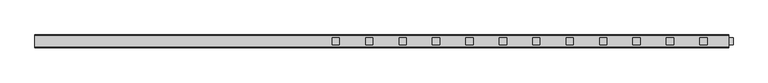
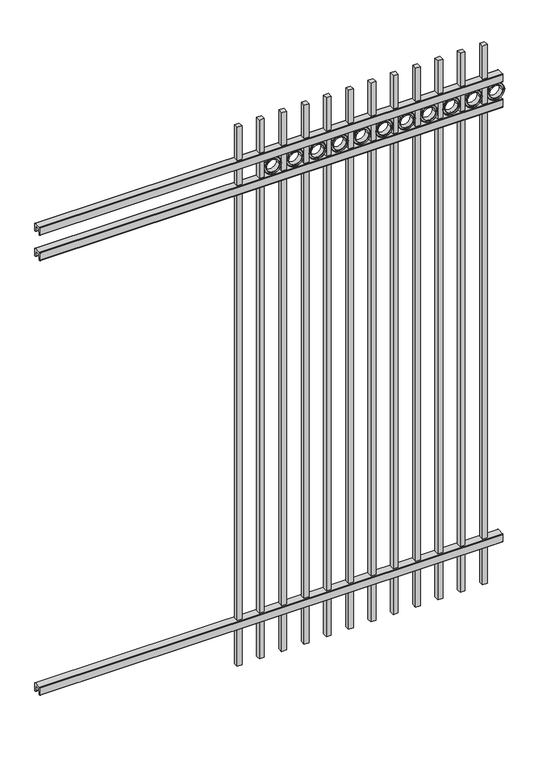
"""IFC4 building model written with IfcOpenShell, lengths in millimetres: railing geometry."""

import ifcopenshell
import ifcopenshell.guid

model = None  # the IFC model being written
_history = None  # IfcOwnerHistory: only IFC2X3 demands one
_inside = {}  # id of a spatial element -> (the spatial element, [elements in it])
_under = {}  # id of a project, library or spatial element -> (it, [spatial elements below it])
_declared = {}  # id of a project -> (the project, [libraries it declares])
_typed = {}  # id of a type object -> (the type object, [elements of that type])
_made_of = {}  # id of a material, layer set ... -> (it, [elements and type objects made of it])


def new_model(schema):
    """Start an empty IFC model of exactly this schema.

    Asked for "IFC4X3", IfcOpenShell would pick the latest addendum, in which some entities
    have other attributes; the version numbers below select the first issue.
    IFC2X3 requires an IfcOwnerHistory on every rooted entity: one is made here for all.
    """
    global model, _history
    if schema == "IFC4X3":
        model = ifcopenshell.file(schema_version=(4, 3, 0, 0))
    else:
        model = ifcopenshell.file(schema=schema)
    _inside.clear()
    _under.clear()
    _declared.clear()
    _typed.clear()
    _made_of.clear()
    _history = None
    if model.schema == "IFC2X3":
        org = make("IfcOrganization", Name="unknown")
        user = make(
            "IfcPersonAndOrganization",
            ThePerson=make("IfcPerson", FamilyName="unknown"),
            TheOrganization=org,
        )
        app = make(
            "IfcApplication",
            ApplicationDeveloper=org,
            Version="unknown",
            ApplicationFullName="unknown",
            ApplicationIdentifier="unknown",
        )
        _history = make(
            "IfcOwnerHistory",
            OwningUser=user,
            OwningApplication=app,
            ChangeAction="ADDED",
            CreationDate=0,
        )
    return model


def make(cls, **values):
    """One entity of the class cls with the attributes given. An attribute that is None is left unset."""
    return model.create_entity(
        cls, **{name: value for name, value in values.items() if value is not None}
    )


def rooted(cls, **values):
    """An entity with a GlobalId (a new one), such as an element, a storey or a relation."""
    return make(cls, GlobalId=ifcopenshell.guid.new(), OwnerHistory=_history, **values)


def si_unit(unit_type, name, prefix=None):
    """IfcSIUnit, for example si_unit("LENGTHUNIT", "METRE", prefix="MILLI")."""
    return make("IfcSIUnit", UnitType=unit_type, Prefix=prefix, Name=name)


def assignment(units):
    """IfcUnitAssignment: the units of a project."""
    return None if units is None else make("IfcUnitAssignment", Units=units)


def point(xyz):
    """IfcCartesianPoint."""
    return None if xyz is None else make("IfcCartesianPoint", Coordinates=xyz)


def direction(xyz):
    """IfcDirection."""
    return None if xyz is None else make("IfcDirection", DirectionRatios=xyz)


def frame(location, z_axis=None, x_axis=None):
    """IfcAxis2Placement3D, a coordinate frame: its origin and axes. An axis left out is left unset."""
    return make(
        "IfcAxis2Placement3D",
        Location=point(location),
        Axis=direction(z_axis),
        RefDirection=direction(x_axis),
    )


def frame_2d(location, x_axis=None):
    """IfcAxis2Placement2D, a coordinate frame in the plane: its origin and x axis."""
    return make(
        "IfcAxis2Placement2D", Location=point(location), RefDirection=direction(x_axis)
    )


def origin():
    """The frame at (0, 0, 0) with its axes left unset."""
    return frame((0.0, 0.0, 0.0))


def place(relative_to, where):
    """IfcLocalPlacement: puts the frame where relative to a parent placement (None: the world)."""
    return make(
        "IfcLocalPlacement", PlacementRelTo=relative_to, RelativePlacement=where
    )


def context(
    kind, dimensions, precision=None, world=None, true_north=None, identifier=None
):
    """IfcGeometricRepresentationContext, for example the 3D "Model" context."""
    return make(
        "IfcGeometricRepresentationContext",
        ContextIdentifier=identifier,
        ContextType=kind,
        CoordinateSpaceDimension=dimensions,
        Precision=precision,
        WorldCoordinateSystem=world,
        TrueNorth=true_north,
    )


def project(units=None, contexts=None):
    """IfcProject with its units and contexts."""
    return rooted(
        "IfcProject",
        Name="project",
        RepresentationContexts=contexts,
        UnitsInContext=assignment(units),
    )


def spatial(cls, under=None, at=None, **own):
    """A site, building, storey or space (cls), placed at a placement, below another one or the project."""
    s = rooted(cls, ObjectPlacement=at, **own)
    if under is not None:
        _under.setdefault(under.id(), (under, []))[1].append(s)
    return s


def polyline(points):
    """IfcPolyline through the points."""
    return make("IfcPolyline", Points=[point(p) for p in points])


def circle_curve(where, radius):
    """IfcCircle in the frame where."""
    return make("IfcCircle", Position=where, Radius=radius)


def trimmed(basis, trim1, trim2, sense, master):
    """IfcTrimmedCurve: the piece of a basis curve between two trims."""
    return make(
        "IfcTrimmedCurve",
        BasisCurve=basis,
        Trim1=trim1,
        Trim2=trim2,
        SenseAgreement=sense,
        MasterRepresentation=master,
    )


def segment(curve, same_sense, transition):
    """IfcCompositeCurveSegment."""
    return make(
        "IfcCompositeCurveSegment",
        Transition=transition,
        SameSense=same_sense,
        ParentCurve=curve,
    )


def composite_curve(segments, self_intersect=None):
    """IfcCompositeCurve: segments joined end to end."""
    return make("IfcCompositeCurve", Segments=segments, SelfIntersect=self_intersect)


def outline(outer, holes=None, kind="AREA"):
    """IfcArbitraryClosedProfileDef: a profile drawn as a closed curve; with holes, ...WithVoids."""
    if holes is None:
        return make("IfcArbitraryClosedProfileDef", ProfileType=kind, OuterCurve=outer)
    return make(
        "IfcArbitraryProfileDefWithVoids",
        ProfileType=kind,
        OuterCurve=outer,
        InnerCurves=holes,
    )


def extrude(swept, where, along, depth):
    """IfcExtrudedAreaSolid: the profile swept, set in the frame where, extruded along a direction by depth."""
    return make(
        "IfcExtrudedAreaSolid",
        SweptArea=swept,
        Position=where,
        ExtrudedDirection=direction(along),
        Depth=depth,
    )


def shape(context_of_items, identifier, shape_type, items):
    """IfcShapeRepresentation: the items that make up one representation, for example the "Body"."""
    return make(
        "IfcShapeRepresentation",
        ContextOfItems=context_of_items,
        RepresentationIdentifier=identifier,
        RepresentationType=shape_type,
        Items=items,
    )


def source(mapping_origin, context_of_items, identifier, shape_type, items):
    """IfcRepresentationMap: a shape defined once, which mapped items show again and again."""
    return make(
        "IfcRepresentationMap",
        MappingOrigin=mapping_origin,
        MappedRepresentation=shape(context_of_items, identifier, shape_type, items),
    )


def transform(
    local_origin,
    x_axis=None,
    y_axis=None,
    z_axis=None,
    scale=None,
    scale2=None,
    scale3=None,
    uniform=True,
):
    """IfcCartesianTransformationOperator3D, or its non-uniform kind. x_axis, y_axis, z_axis: its Axis1, 2, 3."""
    if uniform:
        return make(
            "IfcCartesianTransformationOperator3D",
            Axis1=direction(x_axis),
            Axis2=direction(y_axis),
            LocalOrigin=point(local_origin),
            Scale=scale,
            Axis3=direction(z_axis),
        )
    return make(
        "IfcCartesianTransformationOperator3DnonUniform",
        Axis1=direction(x_axis),
        Axis2=direction(y_axis),
        LocalOrigin=point(local_origin),
        Scale=scale,
        Axis3=direction(z_axis),
        Scale2=scale2,
        Scale3=scale3,
    )


def mapped(mapping_source, mapping_target):
    """IfcMappedItem: shows the shape of a source again, moved by a transform."""
    return make(
        "IfcMappedItem", MappingSource=mapping_source, MappingTarget=mapping_target
    )


def made_of(thing, what):
    """Note that an element or type object is made of a material, layer set ...; save() writes the relation."""
    if what is not None:
        _made_of.setdefault(what.id(), (what, []))[1].append(thing)
    return thing


def element(
    cls,
    number,
    at=None,
    inside=None,
    cuts=None,
    type_object=None,
    material=None,
    context=None,
    identifier="Body",
    shape_type=None,
    held_by="IfcProductDefinitionShape",
    body=None,
    shapes=None,
    **own,
):
    """One element of the class cls, such as IfcWall. Its Tag is "e" and its number.

    at: its placement. inside: the storey or other place that contains it. cuts: it is an
    opening in that element (IfcRelVoidsElement). A single representation is given by context,
    identifier, shape_type and body (its items); several are given by shapes. held_by: the class
    of the entity that holds the representations. save() writes the other relations.
    """
    e = rooted(cls, Tag="e%d" % number, ObjectPlacement=at, **own)
    if body is not None:
        shapes = [shape(context, identifier, shape_type, body)]
    if shapes is not None:
        e.Representation = make(held_by, Representations=shapes)
    if inside is not None:
        _inside.setdefault(inside.id(), (inside, []))[1].append(e)
    if cuts is not None:
        rooted(
            "IfcRelVoidsElement", RelatingBuildingElement=cuts, RelatedOpeningElement=e
        )
    if type_object is not None:
        _typed.setdefault(type_object.id(), (type_object, []))[1].append(e)
    return made_of(e, material)


def aggregate(whole, parts):
    """IfcRelAggregates: a whole, such as a stair, and the parts it consists of."""
    return rooted("IfcRelAggregates", RelatingObject=whole, RelatedObjects=parts)


def save(model, path):
    """Write the relations noted so far, then the file.

    IfcRelAggregates (storeys below a building ...), IfcRelContainedInSpatialStructure (elements
    in a storey), IfcRelDefinesByType, IfcRelAssociatesMaterial and IfcRelDeclares: one each for
    every whole, place, type object, material and project.
    """
    for whole, parts in _under.values():
        aggregate(whole, parts)
    for where, things in _inside.values():
        rooted(
            "IfcRelContainedInSpatialStructure",
            RelatedElements=things,
            RelatingStructure=where,
        )
    for kind, things in _typed.values():
        rooted("IfcRelDefinesByType", RelatedObjects=things, RelatingType=kind)
    for what, things in _made_of.values():
        rooted("IfcRelAssociatesMaterial", RelatedObjects=things, RelatingMaterial=what)
    for by, libraries in _declared.values():
        rooted("IfcRelDeclares", RelatingContext=by, RelatedDefinitions=libraries)
    model.write(path)


def railing_816583c7(model_context):
    return source(origin(), model_context, "Body", "SweptSolid", [
        extrude(outline(composite_curve([segment(polyline([(4253.9139761, 304.8), (4291.969541, 304.8)]), True, "CONTINUOUS"), segment(trimmed(circle_curve(frame_2d((4291.969541, 301.625)), 3.175), [point((4291.969541, 304.8))], [point((4295.144541, 301.625))], False, "CARTESIAN"), True, "CONTINUOUS"), segment(polyline([(4295.144541, 301.625), (4295.144541, 262.1439893)]), True, "CONTINUOUS"), segment(trimmed(circle_curve(frame_2d((4293.3505518, 262.1439893)), 1.7939893), [point((4295.144541, 262.1439893))], [point((4293.3505518, 260.35))], False, "CARTESIAN"), True, "CONTINUOUS"), segment(polyline([(4293.3505518, 260.35), (4290.7590713, 260.35)]), True, "CONTINUOUS"), segment(trimmed(circle_curve(frame_2d((4290.7590713, 262.1359375)), 1.7859375), [point((4290.7590713, 260.35))], [point((4288.9755813, 262.0424688))], False, "CARTESIAN"), True, "CONTINUOUS"), segment(polyline([(4288.9755813, 262.0424688), (4287.4025867, 292.0569942), (4258.4364954, 292.0569942), (4256.8635007, 262.0424688)]), True, "CONTINUOUS"), segment(trimmed(circle_curve(frame_2d((4255.0800108, 262.1359375)), 1.7859375), [point((4256.8635007, 262.0424688))], [point((4255.0800108, 260.35))], False, "CARTESIAN"), True, "CONTINUOUS"), segment(polyline([(4255.0800108, 260.35), (4252.4804785, 260.35)]), True, "CONTINUOUS"), segment(trimmed(circle_curve(frame_2d((4252.4804785, 262.1359375)), 1.7859375), [point((4252.4804785, 260.35))], [point((4250.694541, 262.1359375))], False, "CARTESIAN"), True, "CONTINUOUS"), segment(polyline([(4250.694541, 262.1359375), (4250.694541, 301.5805649)]), True, "CONTINUOUS"), segment(trimmed(circle_curve(frame_2d((4253.9139761, 301.5805649)), 3.2194351), [point((4250.694541, 301.5805649))], [point((4253.9139761, 304.8))], False, "CARTESIAN"), True, "CONTINUOUS")], self_intersect=False)), frame((11485.3350064, 0.0, 0.0), z_axis=(1.0, 0.0, 0.0), x_axis=(0.0, 1.0, 0.0)), (0.0, 0.0, 1.0), 2438.4),
        extrude(outline(composite_curve([segment(polyline([(4253.9139761, 2722.5625), (4291.969541, 2722.5625)]), True, "CONTINUOUS"), segment(trimmed(circle_curve(frame_2d((4291.969541, 2719.3875)), 3.175), [point((4291.969541, 2722.5625))], [point((4295.144541, 2719.3875))], False, "CARTESIAN"), True, "CONTINUOUS"), segment(polyline([(4295.144541, 2719.3875), (4295.144541, 2679.9064893)]), True, "CONTINUOUS"), segment(trimmed(circle_curve(frame_2d((4293.3505518, 2679.9064893)), 1.7939893), [point((4295.144541, 2679.9064893))], [point((4293.3505518, 2678.1125))], False, "CARTESIAN"), True, "CONTINUOUS"), segment(polyline([(4293.3505518, 2678.1125), (4290.7590713, 2678.1125)]), True, "CONTINUOUS"), segment(trimmed(circle_curve(frame_2d((4290.7590713, 2679.8984375)), 1.7859375), [point((4290.7590713, 2678.1125))], [point((4288.9755813, 2679.8049688))], False, "CARTESIAN"), True, "CONTINUOUS"), segment(polyline([(4288.9755813, 2679.8049688), (4287.4025867, 2709.8194942), (4258.4364954, 2709.8194942), (4256.8635007, 2679.8049688)]), True, "CONTINUOUS"), segment(trimmed(circle_curve(frame_2d((4255.0800108, 2679.8984375)), 1.7859375), [point((4256.8635007, 2679.8049688))], [point((4255.0800108, 2678.1125))], False, "CARTESIAN"), True, "CONTINUOUS"), segment(polyline([(4255.0800108, 2678.1125), (4252.4804785, 2678.1125)]), True, "CONTINUOUS"), segment(trimmed(circle_curve(frame_2d((4252.4804785, 2679.8984375)), 1.7859375), [point((4252.4804785, 2678.1125))], [point((4250.694541, 2679.8984375))], False, "CARTESIAN"), True, "CONTINUOUS"), segment(polyline([(4250.694541, 2679.8984375), (4250.694541, 2719.3430649)]), True, "CONTINUOUS"), segment(trimmed(circle_curve(frame_2d((4253.9139761, 2719.3430649)), 3.2194351), [point((4250.694541, 2719.3430649))], [point((4253.9139761, 2722.5625))], False, "CARTESIAN"), True, "CONTINUOUS")], self_intersect=False)), frame((11485.3350064, 0.0, 0.0), z_axis=(1.0, 0.0, 0.0), x_axis=(0.0, 1.0, 0.0)), (0.0, 0.0, 1.0), 2438.4),
        extrude(outline(composite_curve([segment(polyline([(4253.9139761, 2862.2625), (4291.969541, 2862.2625)]), True, "CONTINUOUS"), segment(trimmed(circle_curve(frame_2d((4291.969541, 2859.0875)), 3.175), [point((4291.969541, 2862.2625))], [point((4295.144541, 2859.0875))], False, "CARTESIAN"), True, "CONTINUOUS"), segment(polyline([(4295.144541, 2859.0875), (4295.144541, 2819.6064893)]), True, "CONTINUOUS"), segment(trimmed(circle_curve(frame_2d((4293.3505518, 2819.6064893)), 1.7939893), [point((4295.144541, 2819.6064893))], [point((4293.3505518, 2817.8125))], False, "CARTESIAN"), True, "CONTINUOUS"), segment(polyline([(4293.3505518, 2817.8125), (4290.7590713, 2817.8125)]), True, "CONTINUOUS"), segment(trimmed(circle_curve(frame_2d((4290.7590713, 2819.5984375)), 1.7859375), [point((4290.7590713, 2817.8125))], [point((4288.9755813, 2819.5049688))], False, "CARTESIAN"), True, "CONTINUOUS"), segment(polyline([(4288.9755813, 2819.5049688), (4287.4025867, 2849.5194942), (4258.4364954, 2849.5194942), (4256.8635007, 2819.5049688)]), True, "CONTINUOUS"), segment(trimmed(circle_curve(frame_2d((4255.0800108, 2819.5984375)), 1.7859375), [point((4256.8635007, 2819.5049688))], [point((4255.0800108, 2817.8125))], False, "CARTESIAN"), True, "CONTINUOUS"), segment(polyline([(4255.0800108, 2817.8125), (4252.4804785, 2817.8125)]), True, "CONTINUOUS"), segment(trimmed(circle_curve(frame_2d((4252.4804785, 2819.5984375)), 1.7859375), [point((4252.4804785, 2817.8125))], [point((4250.694541, 2819.5984375))], False, "CARTESIAN"), True, "CONTINUOUS"), segment(polyline([(4250.694541, 2819.5984375), (4250.694541, 2859.0430649)]), True, "CONTINUOUS"), segment(trimmed(circle_curve(frame_2d((4253.9139761, 2859.0430649)), 3.2194351), [point((4250.694541, 2859.0430649))], [point((4253.9139761, 2862.2625))], False, "CARTESIAN"), True, "CONTINUOUS")], self_intersect=False)), frame((11485.3350064, 0.0, 0.0), z_axis=(1.0, 0.0, 0.0), x_axis=(0.0, 1.0, 0.0)), (0.0, 0.0, 1.0), 2438.4),
        extrude(outline(polyline([(13822.1350064, 4285.619541), (13847.5350064, 4285.619541), (13847.5350064, 4260.219541), (13822.1350064, 4260.219541), (13822.1350064, 4285.619541)])), frame((0.0, 0.0, 50.8), z_axis=(0.0, 0.0, 1.0), x_axis=(1.0, 0.0, 0.0)), (0.0, 0.0, 1.0), 2997.2),
        extrude(outline(composite_curve([segment(trimmed(circle_curve(frame_2d((2769.4040076, 13893.2338655)), 45.6988591), [point((2769.4040076, 13938.9327246))], [point((2769.4040076, 13847.5350064))], False, "CARTESIAN"), True, "CONTINUOUS"), segment(trimmed(circle_curve(frame_2d((2769.4040076, 13893.2338655)), 45.6988591), [point((2769.4040076, 13847.5350064))], [point((2769.4040076, 13938.9327246))], False, "CARTESIAN"), True, "CONTINUOUS")], self_intersect=False), holes=[composite_curve([segment(trimmed(circle_curve(frame_2d((2769.4040076, 13893.2338655)), 44.101539), [point((2769.4040076, 13937.3354045))], [point((2769.4040076, 13849.1323265))], True, "CARTESIAN"), True, "CONTINUOUS"), segment(trimmed(circle_curve(frame_2d((2769.4040076, 13893.2338655)), 44.101539), [point((2769.4040076, 13849.1323265))], [point((2769.4040076, 13937.3354045))], True, "CARTESIAN"), True, "CONTINUOUS")], self_intersect=False)]), frame((0.0, 4260.219541, 0.0), z_axis=(0.0, 1.0, 0.0), x_axis=(0.0, 0.0, 1.0)), (0.0, 0.0, 1.0), 25.4),
        extrude(outline(composite_curve([segment(trimmed(circle_curve(frame_2d((2769.4040076, 13893.2338655)), 34.6370762), [point((2769.4040076, 13927.8709417))], [point((2769.4040076, 13858.5967893))], False, "CARTESIAN"), True, "CONTINUOUS"), segment(trimmed(circle_curve(frame_2d((2769.4040076, 13893.2338655)), 34.6370762), [point((2769.4040076, 13858.5967893))], [point((2769.4040076, 13927.8709417))], False, "CARTESIAN"), True, "CONTINUOUS")], self_intersect=False), holes=[composite_curve([segment(trimmed(circle_curve(frame_2d((2769.4040076, 13893.2338655)), 33.0443887), [point((2769.4040076, 13926.2782542))], [point((2769.4040076, 13860.1894768))], True, "CARTESIAN"), True, "CONTINUOUS"), segment(trimmed(circle_curve(frame_2d((2769.4040076, 13893.2338655)), 33.0443887), [point((2769.4040076, 13860.1894768))], [point((2769.4040076, 13926.2782542))], True, "CARTESIAN"), True, "CONTINUOUS")], self_intersect=False)]), frame((0.0, 4260.219541, 0.0), z_axis=(0.0, 1.0, 0.0), x_axis=(0.0, 0.0, 1.0)), (0.0, 0.0, 1.0), 25.4),
        extrude(outline(composite_curve([segment(trimmed(circle_curve(frame_2d((2769.4040076, 13893.2338655)), 45.6988591), [point((2769.4040076, 13938.9327246))], [point((2769.4040076, 13847.5350064))], False, "CARTESIAN"), True, "CONTINUOUS"), segment(trimmed(circle_curve(frame_2d((2769.4040076, 13893.2338655)), 45.6988591), [point((2769.4040076, 13847.5350064))], [point((2769.4040076, 13938.9327246))], False, "CARTESIAN"), True, "CONTINUOUS")], self_intersect=False), holes=[composite_curve([segment(trimmed(circle_curve(frame_2d((2769.4040076, 13893.2338655)), 33.0443887), [point((2769.4040076, 13926.2782542))], [point((2769.4040076, 13860.1894768))], True, "CARTESIAN"), True, "CONTINUOUS"), segment(trimmed(circle_curve(frame_2d((2769.4040076, 13893.2338655)), 33.0443887), [point((2769.4040076, 13860.1894768))], [point((2769.4040076, 13926.2782542))], True, "CARTESIAN"), True, "CONTINUOUS")], self_intersect=False)]), frame((0.0, 4266.569541, 0.0), z_axis=(0.0, 1.0, 0.0), x_axis=(0.0, 0.0, 1.0)), (0.0, 0.0, 1.0), 12.7),
        extrude(outline(polyline([(13704.6600064, 4285.619541), (13730.0600064, 4285.619541), (13730.0600064, 4260.219541), (13704.6600064, 4260.219541), (13704.6600064, 4285.619541)])), frame((0.0, 0.0, 50.8), z_axis=(0.0, 0.0, 1.0), x_axis=(1.0, 0.0, 0.0)), (0.0, 0.0, 1.0), 2997.2),
        extrude(outline(composite_curve([segment(trimmed(circle_curve(frame_2d((2769.4040076, 13775.7588655)), 45.6988591), [point((2769.4040076, 13821.4577246))], [point((2769.4040076, 13730.0600064))], False, "CARTESIAN"), True, "CONTINUOUS"), segment(trimmed(circle_curve(frame_2d((2769.4040076, 13775.7588655)), 45.6988591), [point((2769.4040076, 13730.0600064))], [point((2769.4040076, 13821.4577246))], False, "CARTESIAN"), True, "CONTINUOUS")], self_intersect=False), holes=[composite_curve([segment(trimmed(circle_curve(frame_2d((2769.4040076, 13775.7588655)), 44.101539), [point((2769.4040076, 13819.8604045))], [point((2769.4040076, 13731.6573265))], True, "CARTESIAN"), True, "CONTINUOUS"), segment(trimmed(circle_curve(frame_2d((2769.4040076, 13775.7588655)), 44.101539), [point((2769.4040076, 13731.6573265))], [point((2769.4040076, 13819.8604045))], True, "CARTESIAN"), True, "CONTINUOUS")], self_intersect=False)]), frame((0.0, 4260.219541, 0.0), z_axis=(0.0, 1.0, 0.0), x_axis=(0.0, 0.0, 1.0)), (0.0, 0.0, 1.0), 25.4),
        extrude(outline(composite_curve([segment(trimmed(circle_curve(frame_2d((2769.4040076, 13775.7588655)), 34.6370762), [point((2769.4040076, 13810.3959417))], [point((2769.4040076, 13741.1217893))], False, "CARTESIAN"), True, "CONTINUOUS"), segment(trimmed(circle_curve(frame_2d((2769.4040076, 13775.7588655)), 34.6370762), [point((2769.4040076, 13741.1217893))], [point((2769.4040076, 13810.3959417))], False, "CARTESIAN"), True, "CONTINUOUS")], self_intersect=False), holes=[composite_curve([segment(trimmed(circle_curve(frame_2d((2769.4040076, 13775.7588655)), 33.0443887), [point((2769.4040076, 13808.8032542))], [point((2769.4040076, 13742.7144768))], True, "CARTESIAN"), True, "CONTINUOUS"), segment(trimmed(circle_curve(frame_2d((2769.4040076, 13775.7588655)), 33.0443887), [point((2769.4040076, 13742.7144768))], [point((2769.4040076, 13808.8032542))], True, "CARTESIAN"), True, "CONTINUOUS")], self_intersect=False)]), frame((0.0, 4260.219541, 0.0), z_axis=(0.0, 1.0, 0.0), x_axis=(0.0, 0.0, 1.0)), (0.0, 0.0, 1.0), 25.4),
        extrude(outline(composite_curve([segment(trimmed(circle_curve(frame_2d((2769.4040076, 13775.7588655)), 45.6988591), [point((2769.4040076, 13821.4577246))], [point((2769.4040076, 13730.0600064))], False, "CARTESIAN"), True, "CONTINUOUS"), segment(trimmed(circle_curve(frame_2d((2769.4040076, 13775.7588655)), 45.6988591), [point((2769.4040076, 13730.0600064))], [point((2769.4040076, 13821.4577246))], False, "CARTESIAN"), True, "CONTINUOUS")], self_intersect=False), holes=[composite_curve([segment(trimmed(circle_curve(frame_2d((2769.4040076, 13775.7588655)), 33.0443887), [point((2769.4040076, 13808.8032542))], [point((2769.4040076, 13742.7144768))], True, "CARTESIAN"), True, "CONTINUOUS"), segment(trimmed(circle_curve(frame_2d((2769.4040076, 13775.7588655)), 33.0443887), [point((2769.4040076, 13742.7144768))], [point((2769.4040076, 13808.8032542))], True, "CARTESIAN"), True, "CONTINUOUS")], self_intersect=False)]), frame((0.0, 4266.569541, 0.0), z_axis=(0.0, 1.0, 0.0), x_axis=(0.0, 0.0, 1.0)), (0.0, 0.0, 1.0), 12.7),
        extrude(outline(polyline([(13587.1850064, 4285.619541), (13612.5850064, 4285.619541), (13612.5850064, 4260.219541), (13587.1850064, 4260.219541), (13587.1850064, 4285.619541)])), frame((0.0, 0.0, 50.8), z_axis=(0.0, 0.0, 1.0), x_axis=(1.0, 0.0, 0.0)), (0.0, 0.0, 1.0), 2997.2),
        extrude(outline(composite_curve([segment(trimmed(circle_curve(frame_2d((2769.4040076, 13658.2838655)), 45.6988591), [point((2769.4040076, 13703.9827246))], [point((2769.4040076, 13612.5850064))], False, "CARTESIAN"), True, "CONTINUOUS"), segment(trimmed(circle_curve(frame_2d((2769.4040076, 13658.2838655)), 45.6988591), [point((2769.4040076, 13612.5850064))], [point((2769.4040076, 13703.9827246))], False, "CARTESIAN"), True, "CONTINUOUS")], self_intersect=False), holes=[composite_curve([segment(trimmed(circle_curve(frame_2d((2769.4040076, 13658.2838655)), 44.101539), [point((2769.4040076, 13702.3854045))], [point((2769.4040076, 13614.1823265))], True, "CARTESIAN"), True, "CONTINUOUS"), segment(trimmed(circle_curve(frame_2d((2769.4040076, 13658.2838655)), 44.101539), [point((2769.4040076, 13614.1823265))], [point((2769.4040076, 13702.3854045))], True, "CARTESIAN"), True, "CONTINUOUS")], self_intersect=False)]), frame((0.0, 4260.219541, 0.0), z_axis=(0.0, 1.0, 0.0), x_axis=(0.0, 0.0, 1.0)), (0.0, 0.0, 1.0), 25.4),
        extrude(outline(composite_curve([segment(trimmed(circle_curve(frame_2d((2769.4040076, 13658.2838655)), 34.6370762), [point((2769.4040076, 13692.9209417))], [point((2769.4040076, 13623.6467893))], False, "CARTESIAN"), True, "CONTINUOUS"), segment(trimmed(circle_curve(frame_2d((2769.4040076, 13658.2838655)), 34.6370762), [point((2769.4040076, 13623.6467893))], [point((2769.4040076, 13692.9209417))], False, "CARTESIAN"), True, "CONTINUOUS")], self_intersect=False), holes=[composite_curve([segment(trimmed(circle_curve(frame_2d((2769.4040076, 13658.2838655)), 33.0443887), [point((2769.4040076, 13691.3282542))], [point((2769.4040076, 13625.2394768))], True, "CARTESIAN"), True, "CONTINUOUS"), segment(trimmed(circle_curve(frame_2d((2769.4040076, 13658.2838655)), 33.0443887), [point((2769.4040076, 13625.2394768))], [point((2769.4040076, 13691.3282542))], True, "CARTESIAN"), True, "CONTINUOUS")], self_intersect=False)]), frame((0.0, 4260.219541, 0.0), z_axis=(0.0, 1.0, 0.0), x_axis=(0.0, 0.0, 1.0)), (0.0, 0.0, 1.0), 25.4),
        extrude(outline(composite_curve([segment(trimmed(circle_curve(frame_2d((2769.4040076, 13658.2838655)), 45.6988591), [point((2769.4040076, 13703.9827246))], [point((2769.4040076, 13612.5850064))], False, "CARTESIAN"), True, "CONTINUOUS"), segment(trimmed(circle_curve(frame_2d((2769.4040076, 13658.2838655)), 45.6988591), [point((2769.4040076, 13612.5850064))], [point((2769.4040076, 13703.9827246))], False, "CARTESIAN"), True, "CONTINUOUS")], self_intersect=False), holes=[composite_curve([segment(trimmed(circle_curve(frame_2d((2769.4040076, 13658.2838655)), 33.0443887), [point((2769.4040076, 13691.3282542))], [point((2769.4040076, 13625.2394768))], True, "CARTESIAN"), True, "CONTINUOUS"), segment(trimmed(circle_curve(frame_2d((2769.4040076, 13658.2838655)), 33.0443887), [point((2769.4040076, 13625.2394768))], [point((2769.4040076, 13691.3282542))], True, "CARTESIAN"), True, "CONTINUOUS")], self_intersect=False)]), frame((0.0, 4266.569541, 0.0), z_axis=(0.0, 1.0, 0.0), x_axis=(0.0, 0.0, 1.0)), (0.0, 0.0, 1.0), 12.7),
        extrude(outline(polyline([(13469.7100064, 4285.619541), (13495.1100064, 4285.619541), (13495.1100064, 4260.219541), (13469.7100064, 4260.219541), (13469.7100064, 4285.619541)])), frame((0.0, 0.0, 50.8), z_axis=(0.0, 0.0, 1.0), x_axis=(1.0, 0.0, 0.0)), (0.0, 0.0, 1.0), 2997.2),
        extrude(outline(composite_curve([segment(trimmed(circle_curve(frame_2d((2769.4040076, 13540.8088655)), 45.6988591), [point((2769.4040076, 13586.5077246))], [point((2769.4040076, 13495.1100064))], False, "CARTESIAN"), True, "CONTINUOUS"), segment(trimmed(circle_curve(frame_2d((2769.4040076, 13540.8088655)), 45.6988591), [point((2769.4040076, 13495.1100064))], [point((2769.4040076, 13586.5077246))], False, "CARTESIAN"), True, "CONTINUOUS")], self_intersect=False), holes=[composite_curve([segment(trimmed(circle_curve(frame_2d((2769.4040076, 13540.8088655)), 44.101539), [point((2769.4040076, 13584.9104045))], [point((2769.4040076, 13496.7073265))], True, "CARTESIAN"), True, "CONTINUOUS"), segment(trimmed(circle_curve(frame_2d((2769.4040076, 13540.8088655)), 44.101539), [point((2769.4040076, 13496.7073265))], [point((2769.4040076, 13584.9104045))], True, "CARTESIAN"), True, "CONTINUOUS")], self_intersect=False)]), frame((0.0, 4260.219541, 0.0), z_axis=(0.0, 1.0, 0.0), x_axis=(0.0, 0.0, 1.0)), (0.0, 0.0, 1.0), 25.4),
        extrude(outline(composite_curve([segment(trimmed(circle_curve(frame_2d((2769.4040076, 13540.8088655)), 34.6370762), [point((2769.4040076, 13575.4459417))], [point((2769.4040076, 13506.1717893))], False, "CARTESIAN"), True, "CONTINUOUS"), segment(trimmed(circle_curve(frame_2d((2769.4040076, 13540.8088655)), 34.6370762), [point((2769.4040076, 13506.1717893))], [point((2769.4040076, 13575.4459417))], False, "CARTESIAN"), True, "CONTINUOUS")], self_intersect=False), holes=[composite_curve([segment(trimmed(circle_curve(frame_2d((2769.4040076, 13540.8088655)), 33.0443887), [point((2769.4040076, 13573.8532542))], [point((2769.4040076, 13507.7644768))], True, "CARTESIAN"), True, "CONTINUOUS"), segment(trimmed(circle_curve(frame_2d((2769.4040076, 13540.8088655)), 33.0443887), [point((2769.4040076, 13507.7644768))], [point((2769.4040076, 13573.8532542))], True, "CARTESIAN"), True, "CONTINUOUS")], self_intersect=False)]), frame((0.0, 4260.219541, 0.0), z_axis=(0.0, 1.0, 0.0), x_axis=(0.0, 0.0, 1.0)), (0.0, 0.0, 1.0), 25.4),
        extrude(outline(composite_curve([segment(trimmed(circle_curve(frame_2d((2769.4040076, 13540.8088655)), 45.6988591), [point((2769.4040076, 13586.5077246))], [point((2769.4040076, 13495.1100064))], False, "CARTESIAN"), True, "CONTINUOUS"), segment(trimmed(circle_curve(frame_2d((2769.4040076, 13540.8088655)), 45.6988591), [point((2769.4040076, 13495.1100064))], [point((2769.4040076, 13586.5077246))], False, "CARTESIAN"), True, "CONTINUOUS")], self_intersect=False), holes=[composite_curve([segment(trimmed(circle_curve(frame_2d((2769.4040076, 13540.8088655)), 33.0443887), [point((2769.4040076, 13573.8532542))], [point((2769.4040076, 13507.7644768))], True, "CARTESIAN"), True, "CONTINUOUS"), segment(trimmed(circle_curve(frame_2d((2769.4040076, 13540.8088655)), 33.0443887), [point((2769.4040076, 13507.7644768))], [point((2769.4040076, 13573.8532542))], True, "CARTESIAN"), True, "CONTINUOUS")], self_intersect=False)]), frame((0.0, 4266.569541, 0.0), z_axis=(0.0, 1.0, 0.0), x_axis=(0.0, 0.0, 1.0)), (0.0, 0.0, 1.0), 12.7),
        extrude(outline(polyline([(13352.2350064, 4285.619541), (13377.6350064, 4285.619541), (13377.6350064, 4260.219541), (13352.2350064, 4260.219541), (13352.2350064, 4285.619541)])), frame((0.0, 0.0, 50.8), z_axis=(0.0, 0.0, 1.0), x_axis=(1.0, 0.0, 0.0)), (0.0, 0.0, 1.0), 2997.2),
        extrude(outline(composite_curve([segment(trimmed(circle_curve(frame_2d((2769.4040076, 13423.3338655)), 45.6988591), [point((2769.4040076, 13469.0327246))], [point((2769.4040076, 13377.6350064))], False, "CARTESIAN"), True, "CONTINUOUS"), segment(trimmed(circle_curve(frame_2d((2769.4040076, 13423.3338655)), 45.6988591), [point((2769.4040076, 13377.6350064))], [point((2769.4040076, 13469.0327246))], False, "CARTESIAN"), True, "CONTINUOUS")], self_intersect=False), holes=[composite_curve([segment(trimmed(circle_curve(frame_2d((2769.4040076, 13423.3338655)), 44.101539), [point((2769.4040076, 13467.4354045))], [point((2769.4040076, 13379.2323265))], True, "CARTESIAN"), True, "CONTINUOUS"), segment(trimmed(circle_curve(frame_2d((2769.4040076, 13423.3338655)), 44.101539), [point((2769.4040076, 13379.2323265))], [point((2769.4040076, 13467.4354045))], True, "CARTESIAN"), True, "CONTINUOUS")], self_intersect=False)]), frame((0.0, 4260.219541, 0.0), z_axis=(0.0, 1.0, 0.0), x_axis=(0.0, 0.0, 1.0)), (0.0, 0.0, 1.0), 25.4),
        extrude(outline(composite_curve([segment(trimmed(circle_curve(frame_2d((2769.4040076, 13423.3338655)), 34.6370762), [point((2769.4040076, 13457.9709417))], [point((2769.4040076, 13388.6967893))], False, "CARTESIAN"), True, "CONTINUOUS"), segment(trimmed(circle_curve(frame_2d((2769.4040076, 13423.3338655)), 34.6370762), [point((2769.4040076, 13388.6967893))], [point((2769.4040076, 13457.9709417))], False, "CARTESIAN"), True, "CONTINUOUS")], self_intersect=False), holes=[composite_curve([segment(trimmed(circle_curve(frame_2d((2769.4040076, 13423.3338655)), 33.0443887), [point((2769.4040076, 13456.3782542))], [point((2769.4040076, 13390.2894768))], True, "CARTESIAN"), True, "CONTINUOUS"), segment(trimmed(circle_curve(frame_2d((2769.4040076, 13423.3338655)), 33.0443887), [point((2769.4040076, 13390.2894768))], [point((2769.4040076, 13456.3782542))], True, "CARTESIAN"), True, "CONTINUOUS")], self_intersect=False)]), frame((0.0, 4260.219541, 0.0), z_axis=(0.0, 1.0, 0.0), x_axis=(0.0, 0.0, 1.0)), (0.0, 0.0, 1.0), 25.4),
        extrude(outline(composite_curve([segment(trimmed(circle_curve(frame_2d((2769.4040076, 13423.3338655)), 45.6988591), [point((2769.4040076, 13469.0327246))], [point((2769.4040076, 13377.6350064))], False, "CARTESIAN"), True, "CONTINUOUS"), segment(trimmed(circle_curve(frame_2d((2769.4040076, 13423.3338655)), 45.6988591), [point((2769.4040076, 13377.6350064))], [point((2769.4040076, 13469.0327246))], False, "CARTESIAN"), True, "CONTINUOUS")], self_intersect=False), holes=[composite_curve([segment(trimmed(circle_curve(frame_2d((2769.4040076, 13423.3338655)), 33.0443887), [point((2769.4040076, 13456.3782542))], [point((2769.4040076, 13390.2894768))], True, "CARTESIAN"), True, "CONTINUOUS"), segment(trimmed(circle_curve(frame_2d((2769.4040076, 13423.3338655)), 33.0443887), [point((2769.4040076, 13390.2894768))], [point((2769.4040076, 13456.3782542))], True, "CARTESIAN"), True, "CONTINUOUS")], self_intersect=False)]), frame((0.0, 4266.569541, 0.0), z_axis=(0.0, 1.0, 0.0), x_axis=(0.0, 0.0, 1.0)), (0.0, 0.0, 1.0), 12.7),
        extrude(outline(polyline([(13234.7600064, 4285.619541), (13260.1600064, 4285.619541), (13260.1600064, 4260.219541), (13234.7600064, 4260.219541), (13234.7600064, 4285.619541)])), frame((0.0, 0.0, 50.8), z_axis=(0.0, 0.0, 1.0), x_axis=(1.0, 0.0, 0.0)), (0.0, 0.0, 1.0), 2997.2),
        extrude(outline(composite_curve([segment(trimmed(circle_curve(frame_2d((2769.4040076, 13305.8588655)), 45.6988591), [point((2769.4040076, 13351.5577246))], [point((2769.4040076, 13260.1600064))], False, "CARTESIAN"), True, "CONTINUOUS"), segment(trimmed(circle_curve(frame_2d((2769.4040076, 13305.8588655)), 45.6988591), [point((2769.4040076, 13260.1600064))], [point((2769.4040076, 13351.5577246))], False, "CARTESIAN"), True, "CONTINUOUS")], self_intersect=False), holes=[composite_curve([segment(trimmed(circle_curve(frame_2d((2769.4040076, 13305.8588655)), 44.101539), [point((2769.4040076, 13349.9604045))], [point((2769.4040076, 13261.7573265))], True, "CARTESIAN"), True, "CONTINUOUS"), segment(trimmed(circle_curve(frame_2d((2769.4040076, 13305.8588655)), 44.101539), [point((2769.4040076, 13261.7573265))], [point((2769.4040076, 13349.9604045))], True, "CARTESIAN"), True, "CONTINUOUS")], self_intersect=False)]), frame((0.0, 4260.219541, 0.0), z_axis=(0.0, 1.0, 0.0), x_axis=(0.0, 0.0, 1.0)), (0.0, 0.0, 1.0), 25.4),
        extrude(outline(composite_curve([segment(trimmed(circle_curve(frame_2d((2769.4040076, 13305.8588655)), 34.6370762), [point((2769.4040076, 13340.4959417))], [point((2769.4040076, 13271.2217893))], False, "CARTESIAN"), True, "CONTINUOUS"), segment(trimmed(circle_curve(frame_2d((2769.4040076, 13305.8588655)), 34.6370762), [point((2769.4040076, 13271.2217893))], [point((2769.4040076, 13340.4959417))], False, "CARTESIAN"), True, "CONTINUOUS")], self_intersect=False), holes=[composite_curve([segment(trimmed(circle_curve(frame_2d((2769.4040076, 13305.8588655)), 33.0443887), [point((2769.4040076, 13338.9032542))], [point((2769.4040076, 13272.8144768))], True, "CARTESIAN"), True, "CONTINUOUS"), segment(trimmed(circle_curve(frame_2d((2769.4040076, 13305.8588655)), 33.0443887), [point((2769.4040076, 13272.8144768))], [point((2769.4040076, 13338.9032542))], True, "CARTESIAN"), True, "CONTINUOUS")], self_intersect=False)]), frame((0.0, 4260.219541, 0.0), z_axis=(0.0, 1.0, 0.0), x_axis=(0.0, 0.0, 1.0)), (0.0, 0.0, 1.0), 25.4),
        extrude(outline(composite_curve([segment(trimmed(circle_curve(frame_2d((2769.4040076, 13305.8588655)), 45.6988591), [point((2769.4040076, 13351.5577246))], [point((2769.4040076, 13260.1600064))], False, "CARTESIAN"), True, "CONTINUOUS"), segment(trimmed(circle_curve(frame_2d((2769.4040076, 13305.8588655)), 45.6988591), [point((2769.4040076, 13260.1600064))], [point((2769.4040076, 13351.5577246))], False, "CARTESIAN"), True, "CONTINUOUS")], self_intersect=False), holes=[composite_curve([segment(trimmed(circle_curve(frame_2d((2769.4040076, 13305.8588655)), 33.0443887), [point((2769.4040076, 13338.9032542))], [point((2769.4040076, 13272.8144768))], True, "CARTESIAN"), True, "CONTINUOUS"), segment(trimmed(circle_curve(frame_2d((2769.4040076, 13305.8588655)), 33.0443887), [point((2769.4040076, 13272.8144768))], [point((2769.4040076, 13338.9032542))], True, "CARTESIAN"), True, "CONTINUOUS")], self_intersect=False)]), frame((0.0, 4266.569541, 0.0), z_axis=(0.0, 1.0, 0.0), x_axis=(0.0, 0.0, 1.0)), (0.0, 0.0, 1.0), 12.7),
        extrude(outline(polyline([(13117.2850064, 4285.619541), (13142.6850064, 4285.619541), (13142.6850064, 4260.219541), (13117.2850064, 4260.219541), (13117.2850064, 4285.619541)])), frame((0.0, 0.0, 50.8), z_axis=(0.0, 0.0, 1.0), x_axis=(1.0, 0.0, 0.0)), (0.0, 0.0, 1.0), 2997.2),
        extrude(outline(composite_curve([segment(trimmed(circle_curve(frame_2d((2769.4040076, 13188.3838655)), 45.6988591), [point((2769.4040076, 13234.0827246))], [point((2769.4040076, 13142.6850064))], False, "CARTESIAN"), True, "CONTINUOUS"), segment(trimmed(circle_curve(frame_2d((2769.4040076, 13188.3838655)), 45.6988591), [point((2769.4040076, 13142.6850064))], [point((2769.4040076, 13234.0827246))], False, "CARTESIAN"), True, "CONTINUOUS")], self_intersect=False), holes=[composite_curve([segment(trimmed(circle_curve(frame_2d((2769.4040076, 13188.3838655)), 44.101539), [point((2769.4040076, 13232.4854045))], [point((2769.4040076, 13144.2823265))], True, "CARTESIAN"), True, "CONTINUOUS"), segment(trimmed(circle_curve(frame_2d((2769.4040076, 13188.3838655)), 44.101539), [point((2769.4040076, 13144.2823265))], [point((2769.4040076, 13232.4854045))], True, "CARTESIAN"), True, "CONTINUOUS")], self_intersect=False)]), frame((0.0, 4260.219541, 0.0), z_axis=(0.0, 1.0, 0.0), x_axis=(0.0, 0.0, 1.0)), (0.0, 0.0, 1.0), 25.4),
        extrude(outline(composite_curve([segment(trimmed(circle_curve(frame_2d((2769.4040076, 13188.3838655)), 34.6370762), [point((2769.4040076, 13223.0209417))], [point((2769.4040076, 13153.7467893))], False, "CARTESIAN"), True, "CONTINUOUS"), segment(trimmed(circle_curve(frame_2d((2769.4040076, 13188.3838655)), 34.6370762), [point((2769.4040076, 13153.7467893))], [point((2769.4040076, 13223.0209417))], False, "CARTESIAN"), True, "CONTINUOUS")], self_intersect=False), holes=[composite_curve([segment(trimmed(circle_curve(frame_2d((2769.4040076, 13188.3838655)), 33.0443887), [point((2769.4040076, 13221.4282542))], [point((2769.4040076, 13155.3394768))], True, "CARTESIAN"), True, "CONTINUOUS"), segment(trimmed(circle_curve(frame_2d((2769.4040076, 13188.3838655)), 33.0443887), [point((2769.4040076, 13155.3394768))], [point((2769.4040076, 13221.4282542))], True, "CARTESIAN"), True, "CONTINUOUS")], self_intersect=False)]), frame((0.0, 4260.219541, 0.0), z_axis=(0.0, 1.0, 0.0), x_axis=(0.0, 0.0, 1.0)), (0.0, 0.0, 1.0), 25.4),
        extrude(outline(composite_curve([segment(trimmed(circle_curve(frame_2d((2769.4040076, 13188.3838655)), 45.6988591), [point((2769.4040076, 13234.0827246))], [point((2769.4040076, 13142.6850064))], False, "CARTESIAN"), True, "CONTINUOUS"), segment(trimmed(circle_curve(frame_2d((2769.4040076, 13188.3838655)), 45.6988591), [point((2769.4040076, 13142.6850064))], [point((2769.4040076, 13234.0827246))], False, "CARTESIAN"), True, "CONTINUOUS")], self_intersect=False), holes=[composite_curve([segment(trimmed(circle_curve(frame_2d((2769.4040076, 13188.3838655)), 33.0443887), [point((2769.4040076, 13221.4282542))], [point((2769.4040076, 13155.3394768))], True, "CARTESIAN"), True, "CONTINUOUS"), segment(trimmed(circle_curve(frame_2d((2769.4040076, 13188.3838655)), 33.0443887), [point((2769.4040076, 13155.3394768))], [point((2769.4040076, 13221.4282542))], True, "CARTESIAN"), True, "CONTINUOUS")], self_intersect=False)]), frame((0.0, 4266.569541, 0.0), z_axis=(0.0, 1.0, 0.0), x_axis=(0.0, 0.0, 1.0)), (0.0, 0.0, 1.0), 12.7),
        extrude(outline(polyline([(12999.8100064, 4285.619541), (13025.2100064, 4285.619541), (13025.2100064, 4260.219541), (12999.8100064, 4260.219541), (12999.8100064, 4285.619541)])), frame((0.0, 0.0, 50.8), z_axis=(0.0, 0.0, 1.0), x_axis=(1.0, 0.0, 0.0)), (0.0, 0.0, 1.0), 2997.2),
        extrude(outline(composite_curve([segment(trimmed(circle_curve(frame_2d((2769.4040076, 13070.9088655)), 45.6988591), [point((2769.4040076, 13116.6077246))], [point((2769.4040076, 13025.2100064))], False, "CARTESIAN"), True, "CONTINUOUS"), segment(trimmed(circle_curve(frame_2d((2769.4040076, 13070.9088655)), 45.6988591), [point((2769.4040076, 13025.2100064))], [point((2769.4040076, 13116.6077246))], False, "CARTESIAN"), True, "CONTINUOUS")], self_intersect=False), holes=[composite_curve([segment(trimmed(circle_curve(frame_2d((2769.4040076, 13070.9088655)), 44.101539), [point((2769.4040076, 13115.0104045))], [point((2769.4040076, 13026.8073265))], True, "CARTESIAN"), True, "CONTINUOUS"), segment(trimmed(circle_curve(frame_2d((2769.4040076, 13070.9088655)), 44.101539), [point((2769.4040076, 13026.8073265))], [point((2769.4040076, 13115.0104045))], True, "CARTESIAN"), True, "CONTINUOUS")], self_intersect=False)]), frame((0.0, 4260.219541, 0.0), z_axis=(0.0, 1.0, 0.0), x_axis=(0.0, 0.0, 1.0)), (0.0, 0.0, 1.0), 25.4),
        extrude(outline(composite_curve([segment(trimmed(circle_curve(frame_2d((2769.4040076, 13070.9088655)), 34.6370762), [point((2769.4040076, 13105.5459417))], [point((2769.4040076, 13036.2717893))], False, "CARTESIAN"), True, "CONTINUOUS"), segment(trimmed(circle_curve(frame_2d((2769.4040076, 13070.9088655)), 34.6370762), [point((2769.4040076, 13036.2717893))], [point((2769.4040076, 13105.5459417))], False, "CARTESIAN"), True, "CONTINUOUS")], self_intersect=False), holes=[composite_curve([segment(trimmed(circle_curve(frame_2d((2769.4040076, 13070.9088655)), 33.0443887), [point((2769.4040076, 13103.9532542))], [point((2769.4040076, 13037.8644768))], True, "CARTESIAN"), True, "CONTINUOUS"), segment(trimmed(circle_curve(frame_2d((2769.4040076, 13070.9088655)), 33.0443887), [point((2769.4040076, 13037.8644768))], [point((2769.4040076, 13103.9532542))], True, "CARTESIAN"), True, "CONTINUOUS")], self_intersect=False)]), frame((0.0, 4260.219541, 0.0), z_axis=(0.0, 1.0, 0.0), x_axis=(0.0, 0.0, 1.0)), (0.0, 0.0, 1.0), 25.4),
        extrude(outline(composite_curve([segment(trimmed(circle_curve(frame_2d((2769.4040076, 13070.9088655)), 45.6988591), [point((2769.4040076, 13116.6077246))], [point((2769.4040076, 13025.2100064))], False, "CARTESIAN"), True, "CONTINUOUS"), segment(trimmed(circle_curve(frame_2d((2769.4040076, 13070.9088655)), 45.6988591), [point((2769.4040076, 13025.2100064))], [point((2769.4040076, 13116.6077246))], False, "CARTESIAN"), True, "CONTINUOUS")], self_intersect=False), holes=[composite_curve([segment(trimmed(circle_curve(frame_2d((2769.4040076, 13070.9088655)), 33.0443887), [point((2769.4040076, 13103.9532542))], [point((2769.4040076, 13037.8644768))], True, "CARTESIAN"), True, "CONTINUOUS"), segment(trimmed(circle_curve(frame_2d((2769.4040076, 13070.9088655)), 33.0443887), [point((2769.4040076, 13037.8644768))], [point((2769.4040076, 13103.9532542))], True, "CARTESIAN"), True, "CONTINUOUS")], self_intersect=False)]), frame((0.0, 4266.569541, 0.0), z_axis=(0.0, 1.0, 0.0), x_axis=(0.0, 0.0, 1.0)), (0.0, 0.0, 1.0), 12.7),
        extrude(outline(polyline([(12882.3350064, 4285.619541), (12907.7350064, 4285.619541), (12907.7350064, 4260.219541), (12882.3350064, 4260.219541), (12882.3350064, 4285.619541)])), frame((0.0, 0.0, 50.8), z_axis=(0.0, 0.0, 1.0), x_axis=(1.0, 0.0, 0.0)), (0.0, 0.0, 1.0), 2997.2),
        extrude(outline(composite_curve([segment(trimmed(circle_curve(frame_2d((2769.4040076, 12953.4338655)), 45.6988591), [point((2769.4040076, 12999.1327246))], [point((2769.4040076, 12907.7350064))], False, "CARTESIAN"), True, "CONTINUOUS"), segment(trimmed(circle_curve(frame_2d((2769.4040076, 12953.4338655)), 45.6988591), [point((2769.4040076, 12907.7350064))], [point((2769.4040076, 12999.1327246))], False, "CARTESIAN"), True, "CONTINUOUS")], self_intersect=False), holes=[composite_curve([segment(trimmed(circle_curve(frame_2d((2769.4040076, 12953.4338655)), 44.101539), [point((2769.4040076, 12997.5354045))], [point((2769.4040076, 12909.3323265))], True, "CARTESIAN"), True, "CONTINUOUS"), segment(trimmed(circle_curve(frame_2d((2769.4040076, 12953.4338655)), 44.101539), [point((2769.4040076, 12909.3323265))], [point((2769.4040076, 12997.5354045))], True, "CARTESIAN"), True, "CONTINUOUS")], self_intersect=False)]), frame((0.0, 4260.219541, 0.0), z_axis=(0.0, 1.0, 0.0), x_axis=(0.0, 0.0, 1.0)), (0.0, 0.0, 1.0), 25.4),
        extrude(outline(composite_curve([segment(trimmed(circle_curve(frame_2d((2769.4040076, 12953.4338655)), 34.6370762), [point((2769.4040076, 12988.0709417))], [point((2769.4040076, 12918.7967893))], False, "CARTESIAN"), True, "CONTINUOUS"), segment(trimmed(circle_curve(frame_2d((2769.4040076, 12953.4338655)), 34.6370762), [point((2769.4040076, 12918.7967893))], [point((2769.4040076, 12988.0709417))], False, "CARTESIAN"), True, "CONTINUOUS")], self_intersect=False), holes=[composite_curve([segment(trimmed(circle_curve(frame_2d((2769.4040076, 12953.4338655)), 33.0443887), [point((2769.4040076, 12986.4782542))], [point((2769.4040076, 12920.3894768))], True, "CARTESIAN"), True, "CONTINUOUS"), segment(trimmed(circle_curve(frame_2d((2769.4040076, 12953.4338655)), 33.0443887), [point((2769.4040076, 12920.3894768))], [point((2769.4040076, 12986.4782542))], True, "CARTESIAN"), True, "CONTINUOUS")], self_intersect=False)]), frame((0.0, 4260.219541, 0.0), z_axis=(0.0, 1.0, 0.0), x_axis=(0.0, 0.0, 1.0)), (0.0, 0.0, 1.0), 25.4),
        extrude(outline(composite_curve([segment(trimmed(circle_curve(frame_2d((2769.4040076, 12953.4338655)), 45.6988591), [point((2769.4040076, 12999.1327246))], [point((2769.4040076, 12907.7350064))], False, "CARTESIAN"), True, "CONTINUOUS"), segment(trimmed(circle_curve(frame_2d((2769.4040076, 12953.4338655)), 45.6988591), [point((2769.4040076, 12907.7350064))], [point((2769.4040076, 12999.1327246))], False, "CARTESIAN"), True, "CONTINUOUS")], self_intersect=False), holes=[composite_curve([segment(trimmed(circle_curve(frame_2d((2769.4040076, 12953.4338655)), 33.0443887), [point((2769.4040076, 12986.4782542))], [point((2769.4040076, 12920.3894768))], True, "CARTESIAN"), True, "CONTINUOUS"), segment(trimmed(circle_curve(frame_2d((2769.4040076, 12953.4338655)), 33.0443887), [point((2769.4040076, 12920.3894768))], [point((2769.4040076, 12986.4782542))], True, "CARTESIAN"), True, "CONTINUOUS")], self_intersect=False)]), frame((0.0, 4266.569541, 0.0), z_axis=(0.0, 1.0, 0.0), x_axis=(0.0, 0.0, 1.0)), (0.0, 0.0, 1.0), 12.7),
        extrude(outline(polyline([(12764.8600064, 4285.619541), (12790.2600064, 4285.619541), (12790.2600064, 4260.219541), (12764.8600064, 4260.219541), (12764.8600064, 4285.619541)])), frame((0.0, 0.0, 50.8), z_axis=(0.0, 0.0, 1.0), x_axis=(1.0, 0.0, 0.0)), (0.0, 0.0, 1.0), 2997.2),
        extrude(outline(composite_curve([segment(trimmed(circle_curve(frame_2d((2769.4040076, 12835.9588655)), 45.6988591), [point((2769.4040076, 12881.6577246))], [point((2769.4040076, 12790.2600064))], False, "CARTESIAN"), True, "CONTINUOUS"), segment(trimmed(circle_curve(frame_2d((2769.4040076, 12835.9588655)), 45.6988591), [point((2769.4040076, 12790.2600064))], [point((2769.4040076, 12881.6577246))], False, "CARTESIAN"), True, "CONTINUOUS")], self_intersect=False), holes=[composite_curve([segment(trimmed(circle_curve(frame_2d((2769.4040076, 12835.9588655)), 44.101539), [point((2769.4040076, 12880.0604045))], [point((2769.4040076, 12791.8573265))], True, "CARTESIAN"), True, "CONTINUOUS"), segment(trimmed(circle_curve(frame_2d((2769.4040076, 12835.9588655)), 44.101539), [point((2769.4040076, 12791.8573265))], [point((2769.4040076, 12880.0604045))], True, "CARTESIAN"), True, "CONTINUOUS")], self_intersect=False)]), frame((0.0, 4260.219541, 0.0), z_axis=(0.0, 1.0, 0.0), x_axis=(0.0, 0.0, 1.0)), (0.0, 0.0, 1.0), 25.4),
        extrude(outline(composite_curve([segment(trimmed(circle_curve(frame_2d((2769.4040076, 12835.9588655)), 34.6370762), [point((2769.4040076, 12870.5959417))], [point((2769.4040076, 12801.3217893))], False, "CARTESIAN"), True, "CONTINUOUS"), segment(trimmed(circle_curve(frame_2d((2769.4040076, 12835.9588655)), 34.6370762), [point((2769.4040076, 12801.3217893))], [point((2769.4040076, 12870.5959417))], False, "CARTESIAN"), True, "CONTINUOUS")], self_intersect=False), holes=[composite_curve([segment(trimmed(circle_curve(frame_2d((2769.4040076, 12835.9588655)), 33.0443887), [point((2769.4040076, 12869.0032542))], [point((2769.4040076, 12802.9144768))], True, "CARTESIAN"), True, "CONTINUOUS"), segment(trimmed(circle_curve(frame_2d((2769.4040076, 12835.9588655)), 33.0443887), [point((2769.4040076, 12802.9144768))], [point((2769.4040076, 12869.0032542))], True, "CARTESIAN"), True, "CONTINUOUS")], self_intersect=False)]), frame((0.0, 4260.219541, 0.0), z_axis=(0.0, 1.0, 0.0), x_axis=(0.0, 0.0, 1.0)), (0.0, 0.0, 1.0), 25.4),
        extrude(outline(composite_curve([segment(trimmed(circle_curve(frame_2d((2769.4040076, 12835.9588655)), 45.6988591), [point((2769.4040076, 12881.6577246))], [point((2769.4040076, 12790.2600064))], False, "CARTESIAN"), True, "CONTINUOUS"), segment(trimmed(circle_curve(frame_2d((2769.4040076, 12835.9588655)), 45.6988591), [point((2769.4040076, 12790.2600064))], [point((2769.4040076, 12881.6577246))], False, "CARTESIAN"), True, "CONTINUOUS")], self_intersect=False), holes=[composite_curve([segment(trimmed(circle_curve(frame_2d((2769.4040076, 12835.9588655)), 33.0443887), [point((2769.4040076, 12869.0032542))], [point((2769.4040076, 12802.9144768))], True, "CARTESIAN"), True, "CONTINUOUS"), segment(trimmed(circle_curve(frame_2d((2769.4040076, 12835.9588655)), 33.0443887), [point((2769.4040076, 12802.9144768))], [point((2769.4040076, 12869.0032542))], True, "CARTESIAN"), True, "CONTINUOUS")], self_intersect=False)]), frame((0.0, 4266.569541, 0.0), z_axis=(0.0, 1.0, 0.0), x_axis=(0.0, 0.0, 1.0)), (0.0, 0.0, 1.0), 12.7),
        extrude(outline(polyline([(12647.3850064, 4285.619541), (12672.7850064, 4285.619541), (12672.7850064, 4260.219541), (12647.3850064, 4260.219541), (12647.3850064, 4285.619541)])), frame((0.0, 0.0, 50.8), z_axis=(0.0, 0.0, 1.0), x_axis=(1.0, 0.0, 0.0)), (0.0, 0.0, 1.0), 2997.2),
        extrude(outline(composite_curve([segment(trimmed(circle_curve(frame_2d((2769.4040076, 12718.4838655)), 45.6988591), [point((2769.4040076, 12764.1827246))], [point((2769.4040076, 12672.7850064))], False, "CARTESIAN"), True, "CONTINUOUS"), segment(trimmed(circle_curve(frame_2d((2769.4040076, 12718.4838655)), 45.6988591), [point((2769.4040076, 12672.7850064))], [point((2769.4040076, 12764.1827246))], False, "CARTESIAN"), True, "CONTINUOUS")], self_intersect=False), holes=[composite_curve([segment(trimmed(circle_curve(frame_2d((2769.4040076, 12718.4838655)), 44.101539), [point((2769.4040076, 12762.5854045))], [point((2769.4040076, 12674.3823265))], True, "CARTESIAN"), True, "CONTINUOUS"), segment(trimmed(circle_curve(frame_2d((2769.4040076, 12718.4838655)), 44.101539), [point((2769.4040076, 12674.3823265))], [point((2769.4040076, 12762.5854045))], True, "CARTESIAN"), True, "CONTINUOUS")], self_intersect=False)]), frame((0.0, 4260.219541, 0.0), z_axis=(0.0, 1.0, 0.0), x_axis=(0.0, 0.0, 1.0)), (0.0, 0.0, 1.0), 25.4),
        extrude(outline(composite_curve([segment(trimmed(circle_curve(frame_2d((2769.4040076, 12718.4838655)), 34.6370762), [point((2769.4040076, 12753.1209417))], [point((2769.4040076, 12683.8467893))], False, "CARTESIAN"), True, "CONTINUOUS"), segment(trimmed(circle_curve(frame_2d((2769.4040076, 12718.4838655)), 34.6370762), [point((2769.4040076, 12683.8467893))], [point((2769.4040076, 12753.1209417))], False, "CARTESIAN"), True, "CONTINUOUS")], self_intersect=False), holes=[composite_curve([segment(trimmed(circle_curve(frame_2d((2769.4040076, 12718.4838655)), 33.0443887), [point((2769.4040076, 12751.5282542))], [point((2769.4040076, 12685.4394768))], True, "CARTESIAN"), True, "CONTINUOUS"), segment(trimmed(circle_curve(frame_2d((2769.4040076, 12718.4838655)), 33.0443887), [point((2769.4040076, 12685.4394768))], [point((2769.4040076, 12751.5282542))], True, "CARTESIAN"), True, "CONTINUOUS")], self_intersect=False)]), frame((0.0, 4260.219541, 0.0), z_axis=(0.0, 1.0, 0.0), x_axis=(0.0, 0.0, 1.0)), (0.0, 0.0, 1.0), 25.4),
        extrude(outline(composite_curve([segment(trimmed(circle_curve(frame_2d((2769.4040076, 12718.4838655)), 45.6988591), [point((2769.4040076, 12764.1827246))], [point((2769.4040076, 12672.7850064))], False, "CARTESIAN"), True, "CONTINUOUS"), segment(trimmed(circle_curve(frame_2d((2769.4040076, 12718.4838655)), 45.6988591), [point((2769.4040076, 12672.7850064))], [point((2769.4040076, 12764.1827246))], False, "CARTESIAN"), True, "CONTINUOUS")], self_intersect=False), holes=[composite_curve([segment(trimmed(circle_curve(frame_2d((2769.4040076, 12718.4838655)), 33.0443887), [point((2769.4040076, 12751.5282542))], [point((2769.4040076, 12685.4394768))], True, "CARTESIAN"), True, "CONTINUOUS"), segment(trimmed(circle_curve(frame_2d((2769.4040076, 12718.4838655)), 33.0443887), [point((2769.4040076, 12685.4394768))], [point((2769.4040076, 12751.5282542))], True, "CARTESIAN"), True, "CONTINUOUS")], self_intersect=False)]), frame((0.0, 4266.569541, 0.0), z_axis=(0.0, 1.0, 0.0), x_axis=(0.0, 0.0, 1.0)), (0.0, 0.0, 1.0), 12.7),
        extrude(outline(polyline([(12529.9100064, 4285.619541), (12555.3100064, 4285.619541), (12555.3100064, 4260.219541), (12529.9100064, 4260.219541), (12529.9100064, 4285.619541)])), frame((0.0, 0.0, 50.8), z_axis=(0.0, 0.0, 1.0), x_axis=(1.0, 0.0, 0.0)), (0.0, 0.0, 1.0), 2997.2),
    ])


if __name__ == "__main__":
    model = new_model("IFC4")
    model_context = context("Model", 3, world=origin())
    ifc_project = project(units=[si_unit("LENGTHUNIT", "METRE", prefix="MILLI")], contexts=[model_context])
    site = spatial("IfcSite", under=ifc_project)
    building = spatial("IfcBuilding", under=site)
    placement = place(None, origin())
    railing_shape = railing_816583c7(model_context)
    element("IfcRailing", 1, at=placement, inside=building, context=model_context, shape_type="MappedRepresentation", body=[
        mapped(railing_shape, transform((0.0, 0.0, 0.0), x_axis=(1.0, 0.0, 0.0), y_axis=(0.0, 1.0, 0.0), z_axis=(0.0, 0.0, 1.0))),
    ])
    save(model, "model.ifc")
